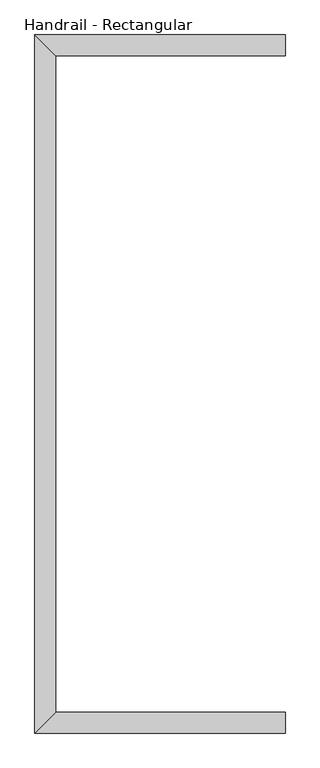
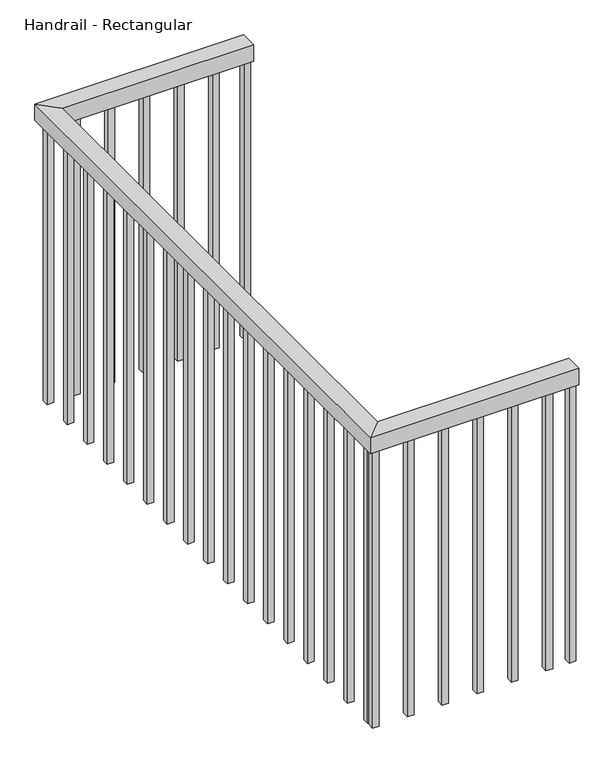
"""IFC4 building model written with IfcOpenShell, lengths in millimetres: railing geometry, Handrail - Rectangular."""

from ifc_helpers import new_model, si_unit, frame, origin, place, context, project, spatial, polyline, outline, extrude, faceted_brep, source, transform, mapped, element, save


def handrail_rectangular_7238eda9(model_context):
    return source(origin(), model_context, "Body", "SolidModel", [
        faceted_brep([(59148.7477824, 1617.457897, 3954.4), (59148.7477824, 1566.657897, 3954.4), (59148.7477824, 1566.657897, 3903.6), (59148.7477824, 1617.457897, 3903.6), (58537.9477824, 1617.457897, 3954.4), (58588.7477824, 1566.657897, 3954.4), (58588.7477824, 1566.657897, 3903.6), (58537.9477824, 1617.457897, 3903.6), (58537.9477824, -84.142103, 3954.4), (58588.7477824, -33.342103, 3954.4), (58588.7477824, -33.342103, 3903.6), (58537.9477824, -84.142103, 3903.6), (59148.7477824, -84.142103, 3954.4), (59148.7477824, -84.142103, 3903.6), (59148.7477824, -33.342103, 3903.6), (59148.7477824, -33.342103, 3954.4)], [[[0, 1, 2, 3]], [[1, 0, 4, 5]], [[2, 1, 5, 6]], [[3, 2, 6, 7]], [[0, 3, 7, 4]], [[5, 4, 8, 9]], [[6, 5, 9, 10]], [[7, 6, 10, 11]], [[4, 7, 11, 8]], [[12, 13, 14, 15]], [[9, 8, 12, 15]], [[10, 9, 15, 14]], [[11, 10, 14, 13]], [[8, 11, 13, 12]]]),
        extrude(outline(polyline([(59061.8227824, -68.267103), (59061.8227824, -49.217103), (59080.8727824, -49.217103), (59080.8727824, -68.267103), (59061.8227824, -68.267103)])), frame((0.0, 0.0, 3040.0), z_axis=(0.0, 0.0, 1.0), x_axis=(1.0, 0.0, 0.0)), (0.0, 0.0, 1.0), 863.6),
        extrude(outline(polyline([(58960.2227824, -68.267103), (58960.2227824, -49.217103), (58979.2727824, -49.217103), (58979.2727824, -68.267103), (58960.2227824, -68.267103)])), frame((0.0, 0.0, 3040.0), z_axis=(0.0, 0.0, 1.0), x_axis=(1.0, 0.0, 0.0)), (0.0, 0.0, 1.0), 863.6),
        extrude(outline(polyline([(58858.6227824, -68.267103), (58858.6227824, -49.217103), (58877.6727824, -49.217103), (58877.6727824, -68.267103), (58858.6227824, -68.267103)])), frame((0.0, 0.0, 3040.0), z_axis=(0.0, 0.0, 1.0), x_axis=(1.0, 0.0, 0.0)), (0.0, 0.0, 1.0), 863.6),
        extrude(outline(polyline([(58757.0227824, -68.267103), (58757.0227824, -49.217103), (58776.0727824, -49.217103), (58776.0727824, -68.267103), (58757.0227824, -68.267103)])), frame((0.0, 0.0, 3040.0), z_axis=(0.0, 0.0, 1.0), x_axis=(1.0, 0.0, 0.0)), (0.0, 0.0, 1.0), 863.6),
        extrude(outline(polyline([(58655.4227824, -68.267103), (58655.4227824, -49.217103), (58674.4727824, -49.217103), (58674.4727824, -68.267103), (58655.4227824, -68.267103)])), frame((0.0, 0.0, 3040.0), z_axis=(0.0, 0.0, 1.0), x_axis=(1.0, 0.0, 0.0)), (0.0, 0.0, 1.0), 863.6),
        extrude(outline(polyline([(58553.8227824, -24.017103), (58572.8727824, -24.017103), (58572.8727824, -43.067103), (58553.8227824, -43.067103), (58553.8227824, -24.017103)])), frame((0.0, 0.0, 3040.0), z_axis=(0.0, 0.0, 1.0), x_axis=(1.0, 0.0, 0.0)), (0.0, 0.0, 1.0), 863.6),
        extrude(outline(polyline([(58553.8227824, 77.582897), (58572.8727824, 77.582897), (58572.8727824, 58.532897), (58553.8227824, 58.532897), (58553.8227824, 77.582897)])), frame((0.0, 0.0, 3040.0), z_axis=(0.0, 0.0, 1.0), x_axis=(1.0, 0.0, 0.0)), (0.0, 0.0, 1.0), 863.6),
        extrude(outline(polyline([(58553.8227824, 179.182897), (58572.8727824, 179.182897), (58572.8727824, 160.132897), (58553.8227824, 160.132897), (58553.8227824, 179.182897)])), frame((0.0, 0.0, 3040.0), z_axis=(0.0, 0.0, 1.0), x_axis=(1.0, 0.0, 0.0)), (0.0, 0.0, 1.0), 863.6),
        extrude(outline(polyline([(58553.8227824, 280.782897), (58572.8727824, 280.782897), (58572.8727824, 261.732897), (58553.8227824, 261.732897), (58553.8227824, 280.782897)])), frame((0.0, 0.0, 3040.0), z_axis=(0.0, 0.0, 1.0), x_axis=(1.0, 0.0, 0.0)), (0.0, 0.0, 1.0), 863.6),
        extrude(outline(polyline([(58553.8227824, 382.382897), (58572.8727824, 382.382897), (58572.8727824, 363.332897), (58553.8227824, 363.332897), (58553.8227824, 382.382897)])), frame((0.0, 0.0, 3040.0), z_axis=(0.0, 0.0, 1.0), x_axis=(1.0, 0.0, 0.0)), (0.0, 0.0, 1.0), 863.6),
        extrude(outline(polyline([(58553.8227824, 483.982897), (58572.8727824, 483.982897), (58572.8727824, 464.932897), (58553.8227824, 464.932897), (58553.8227824, 483.982897)])), frame((0.0, 0.0, 3040.0), z_axis=(0.0, 0.0, 1.0), x_axis=(1.0, 0.0, 0.0)), (0.0, 0.0, 1.0), 863.6),
        extrude(outline(polyline([(58553.8227824, 585.582897), (58572.8727824, 585.582897), (58572.8727824, 566.532897), (58553.8227824, 566.532897), (58553.8227824, 585.582897)])), frame((0.0, 0.0, 3040.0), z_axis=(0.0, 0.0, 1.0), x_axis=(1.0, 0.0, 0.0)), (0.0, 0.0, 1.0), 863.6),
        extrude(outline(polyline([(58553.8227824, 687.182897), (58572.8727824, 687.182897), (58572.8727824, 668.132897), (58553.8227824, 668.132897), (58553.8227824, 687.182897)])), frame((0.0, 0.0, 3040.0), z_axis=(0.0, 0.0, 1.0), x_axis=(1.0, 0.0, 0.0)), (0.0, 0.0, 1.0), 863.6),
        extrude(outline(polyline([(58553.8227824, 788.782897), (58572.8727824, 788.782897), (58572.8727824, 769.732897), (58553.8227824, 769.732897), (58553.8227824, 788.782897)])), frame((0.0, 0.0, 3040.0), z_axis=(0.0, 0.0, 1.0), x_axis=(1.0, 0.0, 0.0)), (0.0, 0.0, 1.0), 863.6),
        extrude(outline(polyline([(58553.8227824, 890.382897), (58572.8727824, 890.382897), (58572.8727824, 871.332897), (58553.8227824, 871.332897), (58553.8227824, 890.382897)])), frame((0.0, 0.0, 3040.0), z_axis=(0.0, 0.0, 1.0), x_axis=(1.0, 0.0, 0.0)), (0.0, 0.0, 1.0), 863.6),
        extrude(outline(polyline([(58553.8227824, 991.982897), (58572.8727824, 991.982897), (58572.8727824, 972.932897), (58553.8227824, 972.932897), (58553.8227824, 991.982897)])), frame((0.0, 0.0, 3040.0), z_axis=(0.0, 0.0, 1.0), x_axis=(1.0, 0.0, 0.0)), (0.0, 0.0, 1.0), 863.6),
        extrude(outline(polyline([(58553.8227824, 1093.582897), (58572.8727824, 1093.582897), (58572.8727824, 1074.532897), (58553.8227824, 1074.532897), (58553.8227824, 1093.582897)])), frame((0.0, 0.0, 3040.0), z_axis=(0.0, 0.0, 1.0), x_axis=(1.0, 0.0, 0.0)), (0.0, 0.0, 1.0), 863.6),
        extrude(outline(polyline([(58553.8227824, 1195.182897), (58572.8727824, 1195.182897), (58572.8727824, 1176.132897), (58553.8227824, 1176.132897), (58553.8227824, 1195.182897)])), frame((0.0, 0.0, 3040.0), z_axis=(0.0, 0.0, 1.0), x_axis=(1.0, 0.0, 0.0)), (0.0, 0.0, 1.0), 863.6),
        extrude(outline(polyline([(58553.8227824, 1296.782897), (58572.8727824, 1296.782897), (58572.8727824, 1277.732897), (58553.8227824, 1277.732897), (58553.8227824, 1296.782897)])), frame((0.0, 0.0, 3040.0), z_axis=(0.0, 0.0, 1.0), x_axis=(1.0, 0.0, 0.0)), (0.0, 0.0, 1.0), 863.6),
        extrude(outline(polyline([(58553.8227824, 1398.382897), (58572.8727824, 1398.382897), (58572.8727824, 1379.332897), (58553.8227824, 1379.332897), (58553.8227824, 1398.382897)])), frame((0.0, 0.0, 3040.0), z_axis=(0.0, 0.0, 1.0), x_axis=(1.0, 0.0, 0.0)), (0.0, 0.0, 1.0), 863.6),
        extrude(outline(polyline([(58553.8227824, 1499.982897), (58572.8727824, 1499.982897), (58572.8727824, 1480.932897), (58553.8227824, 1480.932897), (58553.8227824, 1499.982897)])), frame((0.0, 0.0, 3040.0), z_axis=(0.0, 0.0, 1.0), x_axis=(1.0, 0.0, 0.0)), (0.0, 0.0, 1.0), 863.6),
        extrude(outline(polyline([(58650.2727824, 1601.582897), (58650.2727824, 1582.532897), (58631.2227824, 1582.532897), (58631.2227824, 1601.582897), (58650.2727824, 1601.582897)])), frame((0.0, 0.0, 3040.0), z_axis=(0.0, 0.0, 1.0), x_axis=(1.0, 0.0, 0.0)), (0.0, 0.0, 1.0), 863.6),
        extrude(outline(polyline([(58751.8727824, 1601.582897), (58751.8727824, 1582.532897), (58732.8227824, 1582.532897), (58732.8227824, 1601.582897), (58751.8727824, 1601.582897)])), frame((0.0, 0.0, 3040.0), z_axis=(0.0, 0.0, 1.0), x_axis=(1.0, 0.0, 0.0)), (0.0, 0.0, 1.0), 863.6),
        extrude(outline(polyline([(58853.4727824, 1601.582897), (58853.4727824, 1582.532897), (58834.4227824, 1582.532897), (58834.4227824, 1601.582897), (58853.4727824, 1601.582897)])), frame((0.0, 0.0, 3040.0), z_axis=(0.0, 0.0, 1.0), x_axis=(1.0, 0.0, 0.0)), (0.0, 0.0, 1.0), 863.6),
        extrude(outline(polyline([(58955.0727824, 1601.582897), (58955.0727824, 1582.532897), (58936.0227824, 1582.532897), (58936.0227824, 1601.582897), (58955.0727824, 1601.582897)])), frame((0.0, 0.0, 3040.0), z_axis=(0.0, 0.0, 1.0), x_axis=(1.0, 0.0, 0.0)), (0.0, 0.0, 1.0), 863.6),
        extrude(outline(polyline([(59056.6727824, 1601.582897), (59056.6727824, 1582.532897), (59037.6227824, 1582.532897), (59037.6227824, 1601.582897), (59056.6727824, 1601.582897)])), frame((0.0, 0.0, 3040.0), z_axis=(0.0, 0.0, 1.0), x_axis=(1.0, 0.0, 0.0)), (0.0, 0.0, 1.0), 863.6),
        extrude(outline(polyline([(58553.8227824, -49.217103), (58572.8727824, -49.217103), (58572.8727824, -68.267103), (58553.8227824, -68.267103), (58553.8227824, -49.217103)])), frame((0.0, 0.0, 3040.0), z_axis=(0.0, 0.0, 1.0), x_axis=(1.0, 0.0, 0.0)), (0.0, 0.0, 1.0), 863.6),
        extrude(outline(polyline([(58572.8727824, 1601.582897), (58572.8727824, 1582.532897), (58553.8227824, 1582.532897), (58553.8227824, 1601.582897), (58572.8727824, 1601.582897)])), frame((0.0, 0.0, 3040.0), z_axis=(0.0, 0.0, 1.0), x_axis=(1.0, 0.0, 0.0)), (0.0, 0.0, 1.0), 863.6),
        extrude(outline(polyline([(59129.6977824, -68.267103), (59129.6977824, -49.217103), (59148.7477824, -49.217103), (59148.7477824, -68.267103), (59129.6977824, -68.267103)])), frame((0.0, 0.0, 3040.0), z_axis=(0.0, 0.0, 1.0), x_axis=(1.0, 0.0, 0.0)), (0.0, 0.0, 1.0), 863.6),
        extrude(outline(polyline([(59148.7477824, 1601.582897), (59148.7477824, 1582.532897), (59129.6977824, 1582.532897), (59129.6977824, 1601.582897), (59148.7477824, 1601.582897)])), frame((0.0, 0.0, 3040.0), z_axis=(0.0, 0.0, 1.0), x_axis=(1.0, 0.0, 0.0)), (0.0, 0.0, 1.0), 863.6),
    ])


if __name__ == "__main__":
    model = new_model("IFC4")
    model_context = context("Model", 3, world=origin())
    ifc_project = project(units=[si_unit("LENGTHUNIT", "METRE", prefix="MILLI")], contexts=[model_context])
    site = spatial("IfcSite", under=ifc_project)
    building = spatial("IfcBuilding", under=site)
    placement = place(None, origin())
    handrail_rectangular_shape = handrail_rectangular_7238eda9(model_context)
    element("IfcRailing", 1, ObjectType="Handrail - Rectangular", at=placement, inside=building, context=model_context, shape_type="MappedRepresentation", body=[
        mapped(handrail_rectangular_shape, transform((0.0, 0.0, 0.0), x_axis=(1.0, 0.0, 0.0), y_axis=(0.0, 1.0, 0.0), z_axis=(0.0, 0.0, 1.0))),
    ])
    save(model, "model.ifc")
